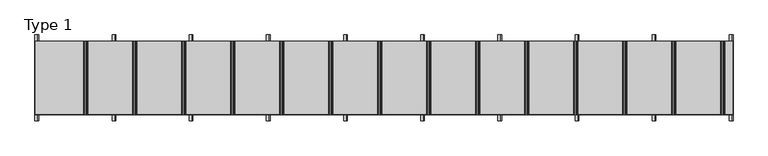
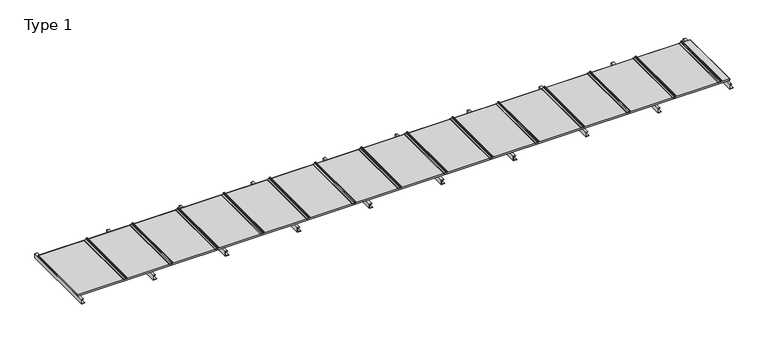
"""IFC4 building model written with IfcOpenShell, lengths in millimetres: proxy geometry, Type 1."""

from ifc_helpers import new_model, si_unit, point, frame, frame_2d, origin, place, context, project, spatial, polyline, circle_curve, trimmed, segment, composite_curve, outline, extrude, source, transform, mapped, element, save


def type_1_41d9a36b(model_context):
    return source(origin(), model_context, "Body", "SweptSolid", [
        extrude(outline(composite_curve([segment(trimmed(circle_curve(frame_2d((60.9683907, 5623.75)), 6.25), [point((65.8614305, 5619.8614704))], [point((58.2402402, 5618.1268608))], False, "CARTESIAN"), True, "CONTINUOUS"), segment(trimmed(circle_curve(frame_2d((57.3468026, 5616.2853478)), 2.0468026), [point((58.2402402, 5618.1268608))], [point((55.3, 5616.2853478))], True, "CARTESIAN"), True, "CONTINUOUS"), segment(polyline([(55.3, 5616.2853478), (55.3, 5601.5)]), True, "CONTINUOUS"), segment(trimmed(circle_curve(frame_2d((53.8, 5601.5)), 1.5), [point((55.3, 5601.5))], [point((53.8, 5600.0))], False, "CARTESIAN"), True, "CONTINUOUS"), segment(polyline([(53.8, 5600.0), (53.0, 5600.0), (53.0, 5621.9783691)]), True, "CONTINUOUS"), segment(trimmed(circle_curve(frame_2d((62.084859, 5621.098018)), 9.1274138), [point((53.0, 5621.9783691))], [point((58.5433217, 5629.510342))], False, "CARTESIAN"), True, "CONTINUOUS"), segment(trimmed(circle_curve(frame_2d((60.9683907, 5623.75)), 6.25), [point((58.5433217, 5629.510342))], [point((65.8614305, 5627.6385296))], False, "CARTESIAN"), True, "CONTINUOUS"), segment(trimmed(circle_curve(frame_2d((65.2653483, 5627.1648193)), 0.7613904), [point((65.8614305, 5627.6385296))], [point((64.7916381, 5626.5687372))], False, "CARTESIAN"), True, "CONTINUOUS"), segment(trimmed(circle_curve(frame_2d((60.9683907, 5623.75)), 4.75), [point((64.7916381, 5626.5687372))], [point((64.7916381, 5620.9312628))], True, "CARTESIAN"), True, "CONTINUOUS"), segment(trimmed(circle_curve(frame_2d((65.2653483, 5620.3351807)), 0.7613904), [point((64.7916381, 5620.9312628))], [point((65.8614305, 5619.8614704))], False, "CARTESIAN"), True, "CONTINUOUS")], self_intersect=False)), frame((0.0, 0.0, 0.0), z_axis=(0.0, 1.0, 0.0), x_axis=(0.0, 0.0, 1.0)), (0.0, 0.0, 1.0), 600.0),
        extrude(outline(polyline([(0.0, 4440.0), (2.0, 4440.0), (2.0, 4412.0), (38.0, 4412.0), (38.0, 4430.0), (40.0, 4430.0), (40.0, 4410.0), (0.0, 4410.0), (0.0, 4440.0)])), frame((0.0, -50.0, 0.0), z_axis=(0.0, 1.0, 0.0), x_axis=(0.0, 0.0, 1.0)), (0.0, 0.0, 1.0), 700.0),
        extrude(outline(polyline([(0.0, 3810.0), (2.0, 3810.0), (2.0, 3782.0), (38.0, 3782.0), (38.0, 3800.0), (40.0, 3800.0), (40.0, 3780.0), (0.0, 3780.0), (0.0, 3810.0)])), frame((0.0, -50.0, 0.0), z_axis=(0.0, 1.0, 0.0), x_axis=(0.0, 0.0, 1.0)), (0.0, 0.0, 1.0), 700.0),
        extrude(outline(polyline([(0.0, 3180.0), (2.0, 3180.0), (2.0, 3152.0), (38.0, 3152.0), (38.0, 3170.0), (40.0, 3170.0), (40.0, 3150.0), (0.0, 3150.0), (0.0, 3180.0)])), frame((0.0, -50.0, 0.0), z_axis=(0.0, 1.0, 0.0), x_axis=(0.0, 0.0, 1.0)), (0.0, 0.0, 1.0), 700.0),
        extrude(outline(polyline([(0.0, 2550.0), (2.0, 2550.0), (2.0, 2522.0), (38.0, 2522.0), (38.0, 2540.0), (40.0, 2540.0), (40.0, 2520.0), (0.0, 2520.0), (0.0, 2550.0)])), frame((0.0, -50.0, 0.0), z_axis=(0.0, 1.0, 0.0), x_axis=(0.0, 0.0, 1.0)), (0.0, 0.0, 1.0), 700.0),
        extrude(outline(polyline([(0.0, 1920.0), (2.0, 1920.0), (2.0, 1892.0), (38.0, 1892.0), (38.0, 1910.0), (40.0, 1910.0), (40.0, 1890.0), (0.0, 1890.0), (0.0, 1920.0)])), frame((0.0, -50.0, 0.0), z_axis=(0.0, 1.0, 0.0), x_axis=(0.0, 0.0, 1.0)), (0.0, 0.0, 1.0), 700.0),
        extrude(outline(polyline([(0.0, 1290.0), (2.0, 1290.0), (2.0, 1262.0), (38.0, 1262.0), (38.0, 1280.0), (40.0, 1280.0), (40.0, 1260.0), (0.0, 1260.0), (0.0, 1290.0)])), frame((0.0, -50.0, 0.0), z_axis=(0.0, 1.0, 0.0), x_axis=(0.0, 0.0, 1.0)), (0.0, 0.0, 1.0), 700.0),
        extrude(outline(composite_curve([segment(trimmed(circle_curve(frame_2d((60.9683907, 5223.75)), 6.25), [point((65.8614305, 5219.8614704))], [point((58.2402402, 5218.1268608))], False, "CARTESIAN"), True, "CONTINUOUS"), segment(trimmed(circle_curve(frame_2d((57.3468026, 5216.2853478)), 2.0468026), [point((58.2402402, 5218.1268608))], [point((55.3, 5216.2853478))], True, "CARTESIAN"), True, "CONTINUOUS"), segment(polyline([(55.3, 5216.2853478), (55.3, 5201.5)]), True, "CONTINUOUS"), segment(trimmed(circle_curve(frame_2d((53.8, 5201.5)), 1.5), [point((55.3, 5201.5))], [point((53.8, 5200.0))], False, "CARTESIAN"), True, "CONTINUOUS"), segment(polyline([(53.8, 5200.0), (53.0, 5200.0), (53.0, 5221.9783691)]), True, "CONTINUOUS"), segment(trimmed(circle_curve(frame_2d((62.084859, 5221.098018)), 9.1274138), [point((53.0, 5221.9783691))], [point((58.5433217, 5229.510342))], False, "CARTESIAN"), True, "CONTINUOUS"), segment(trimmed(circle_curve(frame_2d((60.9683907, 5223.75)), 6.25), [point((58.5433217, 5229.510342))], [point((65.8614305, 5227.6385296))], False, "CARTESIAN"), True, "CONTINUOUS"), segment(trimmed(circle_curve(frame_2d((65.2653483, 5227.1648193)), 0.7613904), [point((65.8614305, 5227.6385296))], [point((64.7916381, 5226.5687372))], False, "CARTESIAN"), True, "CONTINUOUS"), segment(trimmed(circle_curve(frame_2d((60.9683907, 5223.75)), 4.75), [point((64.7916381, 5226.5687372))], [point((64.7916381, 5220.9312628))], True, "CARTESIAN"), True, "CONTINUOUS"), segment(trimmed(circle_curve(frame_2d((65.2653483, 5220.3351807)), 0.7613904), [point((64.7916381, 5220.9312628))], [point((65.8614305, 5219.8614704))], False, "CARTESIAN"), True, "CONTINUOUS")], self_intersect=False)), frame((0.0, 0.0, 0.0), z_axis=(0.0, 1.0, 0.0), x_axis=(0.0, 0.0, 1.0)), (0.0, 0.0, 1.0), 600.0),
        extrude(outline(composite_curve([segment(trimmed(circle_curve(frame_2d((60.9683907, 4823.75)), 6.25), [point((65.8614305, 4819.8614704))], [point((58.2402402, 4818.1268608))], False, "CARTESIAN"), True, "CONTINUOUS"), segment(trimmed(circle_curve(frame_2d((57.3468026, 4816.2853478)), 2.0468026), [point((58.2402402, 4818.1268608))], [point((55.3, 4816.2853478))], True, "CARTESIAN"), True, "CONTINUOUS"), segment(polyline([(55.3, 4816.2853478), (55.3, 4801.5)]), True, "CONTINUOUS"), segment(trimmed(circle_curve(frame_2d((53.8, 4801.5)), 1.5), [point((55.3, 4801.5))], [point((53.8, 4800.0))], False, "CARTESIAN"), True, "CONTINUOUS"), segment(polyline([(53.8, 4800.0), (53.0, 4800.0), (53.0, 4821.9783691)]), True, "CONTINUOUS"), segment(trimmed(circle_curve(frame_2d((62.084859, 4821.098018)), 9.1274138), [point((53.0, 4821.9783691))], [point((58.5433217, 4829.510342))], False, "CARTESIAN"), True, "CONTINUOUS"), segment(trimmed(circle_curve(frame_2d((60.9683907, 4823.75)), 6.25), [point((58.5433217, 4829.510342))], [point((65.8614305, 4827.6385296))], False, "CARTESIAN"), True, "CONTINUOUS"), segment(trimmed(circle_curve(frame_2d((65.2653483, 4827.1648193)), 0.7613904), [point((65.8614305, 4827.6385296))], [point((64.7916381, 4826.5687372))], False, "CARTESIAN"), True, "CONTINUOUS"), segment(trimmed(circle_curve(frame_2d((60.9683907, 4823.75)), 4.75), [point((64.7916381, 4826.5687372))], [point((64.7916381, 4820.9312628))], True, "CARTESIAN"), True, "CONTINUOUS"), segment(trimmed(circle_curve(frame_2d((65.2653483, 4820.3351807)), 0.7613904), [point((64.7916381, 4820.9312628))], [point((65.8614305, 4819.8614704))], False, "CARTESIAN"), True, "CONTINUOUS")], self_intersect=False)), frame((0.0, 0.0, 0.0), z_axis=(0.0, 1.0, 0.0), x_axis=(0.0, 0.0, 1.0)), (0.0, 0.0, 1.0), 600.0),
        extrude(outline(composite_curve([segment(trimmed(circle_curve(frame_2d((60.9683907, 4423.75)), 6.25), [point((65.8614305, 4419.8614704))], [point((58.2402402, 4418.1268608))], False, "CARTESIAN"), True, "CONTINUOUS"), segment(trimmed(circle_curve(frame_2d((57.3468026, 4416.2853478)), 2.0468026), [point((58.2402402, 4418.1268608))], [point((55.3, 4416.2853478))], True, "CARTESIAN"), True, "CONTINUOUS"), segment(polyline([(55.3, 4416.2853478), (55.3, 4401.5)]), True, "CONTINUOUS"), segment(trimmed(circle_curve(frame_2d((53.8, 4401.5)), 1.5), [point((55.3, 4401.5))], [point((53.8, 4400.0))], False, "CARTESIAN"), True, "CONTINUOUS"), segment(polyline([(53.8, 4400.0), (53.0, 4400.0), (53.0, 4421.9783691)]), True, "CONTINUOUS"), segment(trimmed(circle_curve(frame_2d((62.084859, 4421.098018)), 9.1274138), [point((53.0, 4421.9783691))], [point((58.5433217, 4429.510342))], False, "CARTESIAN"), True, "CONTINUOUS"), segment(trimmed(circle_curve(frame_2d((60.9683907, 4423.75)), 6.25), [point((58.5433217, 4429.510342))], [point((65.8614305, 4427.6385296))], False, "CARTESIAN"), True, "CONTINUOUS"), segment(trimmed(circle_curve(frame_2d((65.2653483, 4427.1648193)), 0.7613904), [point((65.8614305, 4427.6385296))], [point((64.7916381, 4426.5687372))], False, "CARTESIAN"), True, "CONTINUOUS"), segment(trimmed(circle_curve(frame_2d((60.9683907, 4423.75)), 4.75), [point((64.7916381, 4426.5687372))], [point((64.7916381, 4420.9312628))], True, "CARTESIAN"), True, "CONTINUOUS"), segment(trimmed(circle_curve(frame_2d((65.2653483, 4420.3351807)), 0.7613904), [point((64.7916381, 4420.9312628))], [point((65.8614305, 4419.8614704))], False, "CARTESIAN"), True, "CONTINUOUS")], self_intersect=False)), frame((0.0, 0.0, 0.0), z_axis=(0.0, 1.0, 0.0), x_axis=(0.0, 0.0, 1.0)), (0.0, 0.0, 1.0), 600.0),
        extrude(outline(composite_curve([segment(trimmed(circle_curve(frame_2d((60.9683907, 4023.75)), 6.25), [point((65.8614305, 4019.8614704))], [point((58.2402402, 4018.1268608))], False, "CARTESIAN"), True, "CONTINUOUS"), segment(trimmed(circle_curve(frame_2d((57.3468026, 4016.2853478)), 2.0468026), [point((58.2402402, 4018.1268608))], [point((55.3, 4016.2853478))], True, "CARTESIAN"), True, "CONTINUOUS"), segment(polyline([(55.3, 4016.2853478), (55.3, 4001.5)]), True, "CONTINUOUS"), segment(trimmed(circle_curve(frame_2d((53.8, 4001.5)), 1.5), [point((55.3, 4001.5))], [point((53.8, 4000.0))], False, "CARTESIAN"), True, "CONTINUOUS"), segment(polyline([(53.8, 4000.0), (53.0, 4000.0), (53.0, 4021.9783691)]), True, "CONTINUOUS"), segment(trimmed(circle_curve(frame_2d((62.084859, 4021.098018)), 9.1274138), [point((53.0, 4021.9783691))], [point((58.5433217, 4029.510342))], False, "CARTESIAN"), True, "CONTINUOUS"), segment(trimmed(circle_curve(frame_2d((60.9683907, 4023.75)), 6.25), [point((58.5433217, 4029.510342))], [point((65.8614305, 4027.6385296))], False, "CARTESIAN"), True, "CONTINUOUS"), segment(trimmed(circle_curve(frame_2d((65.2653483, 4027.1648193)), 0.7613904), [point((65.8614305, 4027.6385296))], [point((64.7916381, 4026.5687372))], False, "CARTESIAN"), True, "CONTINUOUS"), segment(trimmed(circle_curve(frame_2d((60.9683907, 4023.75)), 4.75), [point((64.7916381, 4026.5687372))], [point((64.7916381, 4020.9312628))], True, "CARTESIAN"), True, "CONTINUOUS"), segment(trimmed(circle_curve(frame_2d((65.2653483, 4020.3351807)), 0.7613904), [point((64.7916381, 4020.9312628))], [point((65.8614305, 4019.8614704))], False, "CARTESIAN"), True, "CONTINUOUS")], self_intersect=False)), frame((0.0, 0.0, 0.0), z_axis=(0.0, 1.0, 0.0), x_axis=(0.0, 0.0, 1.0)), (0.0, 0.0, 1.0), 600.0),
        extrude(outline(composite_curve([segment(trimmed(circle_curve(frame_2d((60.9683907, 3623.75)), 6.25), [point((65.8614305, 3619.8614704))], [point((58.2402402, 3618.1268608))], False, "CARTESIAN"), True, "CONTINUOUS"), segment(trimmed(circle_curve(frame_2d((57.3468026, 3616.2853478)), 2.0468026), [point((58.2402402, 3618.1268608))], [point((55.3, 3616.2853478))], True, "CARTESIAN"), True, "CONTINUOUS"), segment(polyline([(55.3, 3616.2853478), (55.3, 3601.5)]), True, "CONTINUOUS"), segment(trimmed(circle_curve(frame_2d((53.8, 3601.5)), 1.5), [point((55.3, 3601.5))], [point((53.8, 3600.0))], False, "CARTESIAN"), True, "CONTINUOUS"), segment(polyline([(53.8, 3600.0), (53.0, 3600.0), (53.0, 3621.9783691)]), True, "CONTINUOUS"), segment(trimmed(circle_curve(frame_2d((62.084859, 3621.098018)), 9.1274138), [point((53.0, 3621.9783691))], [point((58.5433217, 3629.510342))], False, "CARTESIAN"), True, "CONTINUOUS"), segment(trimmed(circle_curve(frame_2d((60.9683907, 3623.75)), 6.25), [point((58.5433217, 3629.510342))], [point((65.8614305, 3627.6385296))], False, "CARTESIAN"), True, "CONTINUOUS"), segment(trimmed(circle_curve(frame_2d((65.2653483, 3627.1648193)), 0.7613904), [point((65.8614305, 3627.6385296))], [point((64.7916381, 3626.5687372))], False, "CARTESIAN"), True, "CONTINUOUS"), segment(trimmed(circle_curve(frame_2d((60.9683907, 3623.75)), 4.75), [point((64.7916381, 3626.5687372))], [point((64.7916381, 3620.9312628))], True, "CARTESIAN"), True, "CONTINUOUS"), segment(trimmed(circle_curve(frame_2d((65.2653483, 3620.3351807)), 0.7613904), [point((64.7916381, 3620.9312628))], [point((65.8614305, 3619.8614704))], False, "CARTESIAN"), True, "CONTINUOUS")], self_intersect=False)), frame((0.0, 0.0, 0.0), z_axis=(0.0, 1.0, 0.0), x_axis=(0.0, 0.0, 1.0)), (0.0, 0.0, 1.0), 600.0),
        extrude(outline(composite_curve([segment(trimmed(circle_curve(frame_2d((60.9683907, 3223.75)), 6.25), [point((65.8614305, 3219.8614704))], [point((58.2402402, 3218.1268608))], False, "CARTESIAN"), True, "CONTINUOUS"), segment(trimmed(circle_curve(frame_2d((57.3468026, 3216.2853478)), 2.0468026), [point((58.2402402, 3218.1268608))], [point((55.3, 3216.2853478))], True, "CARTESIAN"), True, "CONTINUOUS"), segment(polyline([(55.3, 3216.2853478), (55.3, 3201.5)]), True, "CONTINUOUS"), segment(trimmed(circle_curve(frame_2d((53.8, 3201.5)), 1.5), [point((55.3, 3201.5))], [point((53.8, 3200.0))], False, "CARTESIAN"), True, "CONTINUOUS"), segment(polyline([(53.8, 3200.0), (53.0, 3200.0), (53.0, 3221.9783691)]), True, "CONTINUOUS"), segment(trimmed(circle_curve(frame_2d((62.084859, 3221.098018)), 9.1274138), [point((53.0, 3221.9783691))], [point((58.5433217, 3229.510342))], False, "CARTESIAN"), True, "CONTINUOUS"), segment(trimmed(circle_curve(frame_2d((60.9683907, 3223.75)), 6.25), [point((58.5433217, 3229.510342))], [point((65.8614305, 3227.6385296))], False, "CARTESIAN"), True, "CONTINUOUS"), segment(trimmed(circle_curve(frame_2d((65.2653483, 3227.1648193)), 0.7613904), [point((65.8614305, 3227.6385296))], [point((64.7916381, 3226.5687372))], False, "CARTESIAN"), True, "CONTINUOUS"), segment(trimmed(circle_curve(frame_2d((60.9683907, 3223.75)), 4.75), [point((64.7916381, 3226.5687372))], [point((64.7916381, 3220.9312628))], True, "CARTESIAN"), True, "CONTINUOUS"), segment(trimmed(circle_curve(frame_2d((65.2653483, 3220.3351807)), 0.7613904), [point((64.7916381, 3220.9312628))], [point((65.8614305, 3219.8614704))], False, "CARTESIAN"), True, "CONTINUOUS")], self_intersect=False)), frame((0.0, 0.0, 0.0), z_axis=(0.0, 1.0, 0.0), x_axis=(0.0, 0.0, 1.0)), (0.0, 0.0, 1.0), 600.0),
        extrude(outline(composite_curve([segment(trimmed(circle_curve(frame_2d((60.9683907, 2823.75)), 6.25), [point((65.8614305, 2819.8614704))], [point((58.2402402, 2818.1268608))], False, "CARTESIAN"), True, "CONTINUOUS"), segment(trimmed(circle_curve(frame_2d((57.3468026, 2816.2853478)), 2.0468026), [point((58.2402402, 2818.1268608))], [point((55.3, 2816.2853478))], True, "CARTESIAN"), True, "CONTINUOUS"), segment(polyline([(55.3, 2816.2853478), (55.3, 2801.5)]), True, "CONTINUOUS"), segment(trimmed(circle_curve(frame_2d((53.8, 2801.5)), 1.5), [point((55.3, 2801.5))], [point((53.8, 2800.0))], False, "CARTESIAN"), True, "CONTINUOUS"), segment(polyline([(53.8, 2800.0), (53.0, 2800.0), (53.0, 2821.9783691)]), True, "CONTINUOUS"), segment(trimmed(circle_curve(frame_2d((62.084859, 2821.098018)), 9.1274138), [point((53.0, 2821.9783691))], [point((58.5433217, 2829.510342))], False, "CARTESIAN"), True, "CONTINUOUS"), segment(trimmed(circle_curve(frame_2d((60.9683907, 2823.75)), 6.25), [point((58.5433217, 2829.510342))], [point((65.8614305, 2827.6385296))], False, "CARTESIAN"), True, "CONTINUOUS"), segment(trimmed(circle_curve(frame_2d((65.2653483, 2827.1648193)), 0.7613904), [point((65.8614305, 2827.6385296))], [point((64.7916381, 2826.5687372))], False, "CARTESIAN"), True, "CONTINUOUS"), segment(trimmed(circle_curve(frame_2d((60.9683907, 2823.75)), 4.75), [point((64.7916381, 2826.5687372))], [point((64.7916381, 2820.9312628))], True, "CARTESIAN"), True, "CONTINUOUS"), segment(trimmed(circle_curve(frame_2d((65.2653483, 2820.3351807)), 0.7613904), [point((64.7916381, 2820.9312628))], [point((65.8614305, 2819.8614704))], False, "CARTESIAN"), True, "CONTINUOUS")], self_intersect=False)), frame((0.0, 0.0, 0.0), z_axis=(0.0, 1.0, 0.0), x_axis=(0.0, 0.0, 1.0)), (0.0, 0.0, 1.0), 600.0),
        extrude(outline(composite_curve([segment(trimmed(circle_curve(frame_2d((60.9683907, 2423.75)), 6.25), [point((65.8614305, 2419.8614704))], [point((58.2402402, 2418.1268608))], False, "CARTESIAN"), True, "CONTINUOUS"), segment(trimmed(circle_curve(frame_2d((57.3468026, 2416.2853478)), 2.0468026), [point((58.2402402, 2418.1268608))], [point((55.3, 2416.2853478))], True, "CARTESIAN"), True, "CONTINUOUS"), segment(polyline([(55.3, 2416.2853478), (55.3, 2401.5)]), True, "CONTINUOUS"), segment(trimmed(circle_curve(frame_2d((53.8, 2401.5)), 1.5), [point((55.3, 2401.5))], [point((53.8, 2400.0))], False, "CARTESIAN"), True, "CONTINUOUS"), segment(polyline([(53.8, 2400.0), (53.0, 2400.0), (53.0, 2421.9783691)]), True, "CONTINUOUS"), segment(trimmed(circle_curve(frame_2d((62.084859, 2421.098018)), 9.1274138), [point((53.0, 2421.9783691))], [point((58.5433217, 2429.510342))], False, "CARTESIAN"), True, "CONTINUOUS"), segment(trimmed(circle_curve(frame_2d((60.9683907, 2423.75)), 6.25), [point((58.5433217, 2429.510342))], [point((65.8614305, 2427.6385296))], False, "CARTESIAN"), True, "CONTINUOUS"), segment(trimmed(circle_curve(frame_2d((65.2653483, 2427.1648193)), 0.7613904), [point((65.8614305, 2427.6385296))], [point((64.7916381, 2426.5687372))], False, "CARTESIAN"), True, "CONTINUOUS"), segment(trimmed(circle_curve(frame_2d((60.9683907, 2423.75)), 4.75), [point((64.7916381, 2426.5687372))], [point((64.7916381, 2420.9312628))], True, "CARTESIAN"), True, "CONTINUOUS"), segment(trimmed(circle_curve(frame_2d((65.2653483, 2420.3351807)), 0.7613904), [point((64.7916381, 2420.9312628))], [point((65.8614305, 2419.8614704))], False, "CARTESIAN"), True, "CONTINUOUS")], self_intersect=False)), frame((0.0, 0.0, 0.0), z_axis=(0.0, 1.0, 0.0), x_axis=(0.0, 0.0, 1.0)), (0.0, 0.0, 1.0), 600.0),
        extrude(outline(composite_curve([segment(trimmed(circle_curve(frame_2d((60.9683907, 2023.75)), 6.25), [point((65.8614305, 2019.8614704))], [point((58.2402402, 2018.1268608))], False, "CARTESIAN"), True, "CONTINUOUS"), segment(trimmed(circle_curve(frame_2d((57.3468026, 2016.2853478)), 2.0468026), [point((58.2402402, 2018.1268608))], [point((55.3, 2016.2853478))], True, "CARTESIAN"), True, "CONTINUOUS"), segment(polyline([(55.3, 2016.2853478), (55.3, 2001.5)]), True, "CONTINUOUS"), segment(trimmed(circle_curve(frame_2d((53.8, 2001.5)), 1.5), [point((55.3, 2001.5))], [point((53.8, 2000.0))], False, "CARTESIAN"), True, "CONTINUOUS"), segment(polyline([(53.8, 2000.0), (53.0, 2000.0), (53.0, 2021.9783691)]), True, "CONTINUOUS"), segment(trimmed(circle_curve(frame_2d((62.084859, 2021.098018)), 9.1274138), [point((53.0, 2021.9783691))], [point((58.5433217, 2029.510342))], False, "CARTESIAN"), True, "CONTINUOUS"), segment(trimmed(circle_curve(frame_2d((60.9683907, 2023.75)), 6.25), [point((58.5433217, 2029.510342))], [point((65.8614305, 2027.6385296))], False, "CARTESIAN"), True, "CONTINUOUS"), segment(trimmed(circle_curve(frame_2d((65.2653483, 2027.1648193)), 0.7613904), [point((65.8614305, 2027.6385296))], [point((64.7916381, 2026.5687372))], False, "CARTESIAN"), True, "CONTINUOUS"), segment(trimmed(circle_curve(frame_2d((60.9683907, 2023.75)), 4.75), [point((64.7916381, 2026.5687372))], [point((64.7916381, 2020.9312628))], True, "CARTESIAN"), True, "CONTINUOUS"), segment(trimmed(circle_curve(frame_2d((65.2653483, 2020.3351807)), 0.7613904), [point((64.7916381, 2020.9312628))], [point((65.8614305, 2019.8614704))], False, "CARTESIAN"), True, "CONTINUOUS")], self_intersect=False)), frame((0.0, 0.0, 0.0), z_axis=(0.0, 1.0, 0.0), x_axis=(0.0, 0.0, 1.0)), (0.0, 0.0, 1.0), 600.0),
        extrude(outline(composite_curve([segment(trimmed(circle_curve(frame_2d((60.9683907, 1623.75)), 6.25), [point((65.8614305, 1619.8614704))], [point((58.2402402, 1618.1268608))], False, "CARTESIAN"), True, "CONTINUOUS"), segment(trimmed(circle_curve(frame_2d((57.3468026, 1616.2853478)), 2.0468026), [point((58.2402402, 1618.1268608))], [point((55.3, 1616.2853478))], True, "CARTESIAN"), True, "CONTINUOUS"), segment(polyline([(55.3, 1616.2853478), (55.3, 1601.5)]), True, "CONTINUOUS"), segment(trimmed(circle_curve(frame_2d((53.8, 1601.5)), 1.5), [point((55.3, 1601.5))], [point((53.8, 1600.0))], False, "CARTESIAN"), True, "CONTINUOUS"), segment(polyline([(53.8, 1600.0), (53.0, 1600.0), (53.0, 1621.9783691)]), True, "CONTINUOUS"), segment(trimmed(circle_curve(frame_2d((62.084859, 1621.098018)), 9.1274138), [point((53.0, 1621.9783691))], [point((58.5433217, 1629.510342))], False, "CARTESIAN"), True, "CONTINUOUS"), segment(trimmed(circle_curve(frame_2d((60.9683907, 1623.75)), 6.25), [point((58.5433217, 1629.510342))], [point((65.8614305, 1627.6385296))], False, "CARTESIAN"), True, "CONTINUOUS"), segment(trimmed(circle_curve(frame_2d((65.2653483, 1627.1648193)), 0.7613904), [point((65.8614305, 1627.6385296))], [point((64.7916381, 1626.5687372))], False, "CARTESIAN"), True, "CONTINUOUS"), segment(trimmed(circle_curve(frame_2d((60.9683907, 1623.75)), 4.75), [point((64.7916381, 1626.5687372))], [point((64.7916381, 1620.9312628))], True, "CARTESIAN"), True, "CONTINUOUS"), segment(trimmed(circle_curve(frame_2d((65.2653483, 1620.3351807)), 0.7613904), [point((64.7916381, 1620.9312628))], [point((65.8614305, 1619.8614704))], False, "CARTESIAN"), True, "CONTINUOUS")], self_intersect=False)), frame((0.0, 0.0, 0.0), z_axis=(0.0, 1.0, 0.0), x_axis=(0.0, 0.0, 1.0)), (0.0, 0.0, 1.0), 600.0),
        extrude(outline(composite_curve([segment(trimmed(circle_curve(frame_2d((60.9683907, 1223.75)), 6.25), [point((65.8614305, 1219.8614704))], [point((58.2402402, 1218.1268608))], False, "CARTESIAN"), True, "CONTINUOUS"), segment(trimmed(circle_curve(frame_2d((57.3468026, 1216.2853478)), 2.0468026), [point((58.2402402, 1218.1268608))], [point((55.3, 1216.2853478))], True, "CARTESIAN"), True, "CONTINUOUS"), segment(polyline([(55.3, 1216.2853478), (55.3, 1201.5)]), True, "CONTINUOUS"), segment(trimmed(circle_curve(frame_2d((53.8, 1201.5)), 1.5), [point((55.3, 1201.5))], [point((53.8, 1200.0))], False, "CARTESIAN"), True, "CONTINUOUS"), segment(polyline([(53.8, 1200.0), (53.0, 1200.0), (53.0, 1221.9783691)]), True, "CONTINUOUS"), segment(trimmed(circle_curve(frame_2d((62.084859, 1221.098018)), 9.1274138), [point((53.0, 1221.9783691))], [point((58.5433217, 1229.510342))], False, "CARTESIAN"), True, "CONTINUOUS"), segment(trimmed(circle_curve(frame_2d((60.9683907, 1223.75)), 6.25), [point((58.5433217, 1229.510342))], [point((65.8614305, 1227.6385296))], False, "CARTESIAN"), True, "CONTINUOUS"), segment(trimmed(circle_curve(frame_2d((65.2653483, 1227.1648193)), 0.7613904), [point((65.8614305, 1227.6385296))], [point((64.7916381, 1226.5687372))], False, "CARTESIAN"), True, "CONTINUOUS"), segment(trimmed(circle_curve(frame_2d((60.9683907, 1223.75)), 4.75), [point((64.7916381, 1226.5687372))], [point((64.7916381, 1220.9312628))], True, "CARTESIAN"), True, "CONTINUOUS"), segment(trimmed(circle_curve(frame_2d((65.2653483, 1220.3351807)), 0.7613904), [point((64.7916381, 1220.9312628))], [point((65.8614305, 1219.8614704))], False, "CARTESIAN"), True, "CONTINUOUS")], self_intersect=False)), frame((0.0, 0.0, 0.0), z_axis=(0.0, 1.0, 0.0), x_axis=(0.0, 0.0, 1.0)), (0.0, 0.0, 1.0), 600.0),
        extrude(outline(polyline([(0.0, 5700.0), (2.0, 5700.0), (2.0, 5672.0), (38.0, 5672.0), (38.0, 5690.0), (40.0, 5690.0), (40.0, 5670.0), (0.0, 5670.0), (0.0, 5700.0)])), frame((0.0, -50.0, 0.0), z_axis=(0.0, 1.0, 0.0), x_axis=(0.0, 0.0, 1.0)), (0.0, 0.0, 1.0), 700.0),
        extrude(outline(polyline([(0.0, 30.0), (2.0, 30.0), (2.0, 2.0), (38.0, 2.0), (38.0, 20.0), (40.0, 20.0), (40.0, 0.0), (0.0, 0.0), (0.0, 30.0)])), frame((0.0, -50.0, 0.0), z_axis=(0.0, 1.0, 0.0), x_axis=(0.0, 0.0, 1.0)), (0.0, 0.0, 1.0), 700.0),
        extrude(outline(polyline([(0.0, 5070.0), (2.0, 5070.0), (2.0, 5042.0), (38.0, 5042.0), (38.0, 5060.0), (40.0, 5060.0), (40.0, 5040.0), (0.0, 5040.0), (0.0, 5070.0)])), frame((0.0, -50.0, 0.0), z_axis=(0.0, 1.0, 0.0), x_axis=(0.0, 0.0, 1.0)), (0.0, 0.0, 1.0), 700.0),
        extrude(outline(polyline([(0.0, 660.0), (2.0, 660.0), (2.0, 632.0), (38.0, 632.0), (38.0, 650.0), (40.0, 650.0), (40.0, 630.0), (0.0, 630.0), (0.0, 660.0)])), frame((0.0, -50.0, 0.0), z_axis=(0.0, 1.0, 0.0), x_axis=(0.0, 0.0, 1.0)), (0.0, 0.0, 1.0), 700.0),
        extrude(outline(composite_curve([segment(trimmed(circle_curve(frame_2d((60.9683907, 823.75)), 6.25), [point((65.8614305, 819.8614704))], [point((58.2402402, 818.1268608))], False, "CARTESIAN"), True, "CONTINUOUS"), segment(trimmed(circle_curve(frame_2d((57.3468026, 816.2853478)), 2.0468026), [point((58.2402402, 818.1268608))], [point((55.3, 816.2853478))], True, "CARTESIAN"), True, "CONTINUOUS"), segment(polyline([(55.3, 816.2853478), (55.3, 801.5)]), True, "CONTINUOUS"), segment(trimmed(circle_curve(frame_2d((53.8, 801.5)), 1.5), [point((55.3, 801.5))], [point((53.8, 800.0))], False, "CARTESIAN"), True, "CONTINUOUS"), segment(polyline([(53.8, 800.0), (53.0, 800.0), (53.0, 821.9783691)]), True, "CONTINUOUS"), segment(trimmed(circle_curve(frame_2d((62.084859, 821.098018)), 9.1274138), [point((53.0, 821.9783691))], [point((58.5433217, 829.510342))], False, "CARTESIAN"), True, "CONTINUOUS"), segment(trimmed(circle_curve(frame_2d((60.9683907, 823.75)), 6.25), [point((58.5433217, 829.510342))], [point((65.8614305, 827.6385296))], False, "CARTESIAN"), True, "CONTINUOUS"), segment(trimmed(circle_curve(frame_2d((65.2653483, 827.1648193)), 0.7613904), [point((65.8614305, 827.6385296))], [point((64.7916381, 826.5687372))], False, "CARTESIAN"), True, "CONTINUOUS"), segment(trimmed(circle_curve(frame_2d((60.9683907, 823.75)), 4.75), [point((64.7916381, 826.5687372))], [point((64.7916381, 820.9312628))], True, "CARTESIAN"), True, "CONTINUOUS"), segment(trimmed(circle_curve(frame_2d((65.2653483, 820.3351807)), 0.7613904), [point((64.7916381, 820.9312628))], [point((65.8614305, 819.8614704))], False, "CARTESIAN"), True, "CONTINUOUS")], self_intersect=False)), frame((0.0, 0.0, 0.0), z_axis=(0.0, 1.0, 0.0), x_axis=(0.0, 0.0, 1.0)), (0.0, 0.0, 1.0), 600.0),
        extrude(outline(composite_curve([segment(trimmed(circle_curve(frame_2d((60.9683907, 423.75)), 6.25), [point((65.8614305, 419.8614704))], [point((58.2402402, 418.1268608))], False, "CARTESIAN"), True, "CONTINUOUS"), segment(trimmed(circle_curve(frame_2d((57.3468026, 416.2853478)), 2.0468026), [point((58.2402402, 418.1268608))], [point((55.3, 416.2853478))], True, "CARTESIAN"), True, "CONTINUOUS"), segment(polyline([(55.3, 416.2853478), (55.3, 401.5)]), True, "CONTINUOUS"), segment(trimmed(circle_curve(frame_2d((53.8, 401.5)), 1.5), [point((55.3, 401.5))], [point((53.8, 400.0))], False, "CARTESIAN"), True, "CONTINUOUS"), segment(polyline([(53.8, 400.0), (53.0, 400.0), (53.0, 421.9783691)]), True, "CONTINUOUS"), segment(trimmed(circle_curve(frame_2d((62.084859, 421.098018)), 9.1274138), [point((53.0, 421.9783691))], [point((58.5433217, 429.510342))], False, "CARTESIAN"), True, "CONTINUOUS"), segment(trimmed(circle_curve(frame_2d((60.9683907, 423.75)), 6.25), [point((58.5433217, 429.510342))], [point((65.8614305, 427.6385296))], False, "CARTESIAN"), True, "CONTINUOUS"), segment(trimmed(circle_curve(frame_2d((65.2653483, 427.1648193)), 0.7613904), [point((65.8614305, 427.6385296))], [point((64.7916381, 426.5687372))], False, "CARTESIAN"), True, "CONTINUOUS"), segment(trimmed(circle_curve(frame_2d((60.9683907, 423.75)), 4.75), [point((64.7916381, 426.5687372))], [point((64.7916381, 420.9312628))], True, "CARTESIAN"), True, "CONTINUOUS"), segment(trimmed(circle_curve(frame_2d((65.2653483, 420.3351807)), 0.7613904), [point((64.7916381, 420.9312628))], [point((65.8614305, 419.8614704))], False, "CARTESIAN"), True, "CONTINUOUS")], self_intersect=False)), frame((0.0, 0.0, 0.0), z_axis=(0.0, 1.0, 0.0), x_axis=(0.0, 0.0, 1.0)), (0.0, 0.0, 1.0), 600.0),
        extrude(outline(polyline([(5699.0, 1.0), (1.0, 1.0), (1.0, 599.0), (5699.0, 599.0), (5699.0, 1.0)])), frame((0.0, 0.0, 40.0), z_axis=(0.0, 0.0, 1.0), x_axis=(1.0, 0.0, 0.0)), (0.0, 0.0, 1.0), 13.0),
        extrude(outline(polyline([(5700.0, 0.0), (0.0, 0.0), (0.0, 600.0), (5700.0, 600.0), (5700.0, 0.0)]), holes=[polyline([(5699.0, 1.0), (5699.0, 599.0), (1.0, 599.0), (1.0, 1.0), (5699.0, 1.0)])]), frame((0.0, 0.0, 40.0), z_axis=(0.0, 0.0, 1.0), x_axis=(1.0, 0.0, 0.0)), (0.0, 0.0, 1.0), 13.0),
    ])


if __name__ == "__main__":
    model = new_model("IFC4")
    model_context = context("Model", 3, world=origin())
    ifc_project = project(units=[si_unit("LENGTHUNIT", "METRE", prefix="MILLI")], contexts=[model_context])
    site = spatial("IfcSite", under=ifc_project)
    building = spatial("IfcBuilding", under=site)
    placement = place(None, origin())
    type_1_shape = type_1_41d9a36b(model_context)
    element("IfcBuildingElementProxy", 1, Name="Type 1", ObjectType="Type 1", at=placement, inside=building, context=model_context, shape_type="MappedRepresentation", body=[
        mapped(type_1_shape, transform((0.0, 0.0, 0.0), x_axis=(1.0, 0.0, 0.0), y_axis=(0.0, 1.0, 0.0), z_axis=(0.0, 0.0, 1.0))),
    ])
    save(model, "model.ifc")
